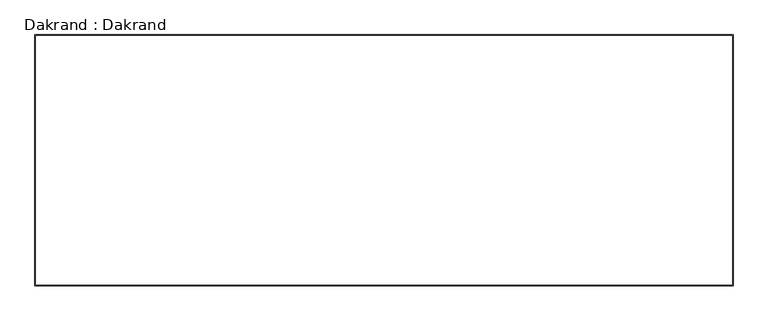
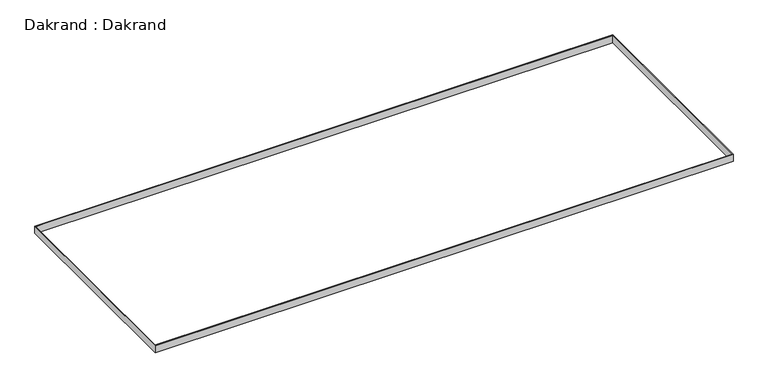
"""IFC4 building model written with IfcOpenShell, lengths in millimetres: proxy geometry, Dakrand : Dakrand."""

from ifc_helpers import new_model, si_unit, origin, place, context, project, spatial, faceted_brep, source, transform, mapped, element, save


def dakrand_dakrand_e28d4437(model_context):
    return source(origin(), model_context, "Body", "Brep", [
        faceted_brep([(-83650.8867011, -100340.3209837, 14234.7296355), (-83650.8867011, -100340.3209837, 14631.7830572), (-83650.8867011, -89711.3209837, 14631.7830572), (-83650.8867011, -89292.3209837, 14631.7830572), (-83650.8867011, -89292.3209837, 14300.0), (-83650.8867011, -89292.3209837, 14234.7296355), (-83650.8867011, -89711.3209837, 14234.7296355), (-83610.8867011, -100380.3209837, 14631.7830572), (-83610.8867011, -100380.3209837, 14234.7296355), (-83610.8867011, -89252.3209837, 14234.7296355), (-83610.8867011, -89252.3209837, 14631.7830572), (-114069.8867011, -89292.3209837, 14631.7830572), (-114488.8867011, -89292.3209837, 14631.7830572), (-114488.8867011, -89292.3209837, 14234.7296355), (-114069.8867011, -89292.3209837, 14234.7296355), (-114528.8867011, -89252.3209837, 14234.7296355), (-114528.8867011, -89252.3209837, 14631.7830572), (-114488.8867011, -100340.3209837, 14631.7830572), (-114488.8867011, -100340.3209837, 14234.7296355), (-114528.8867011, -100380.3209837, 14234.7296355), (-114528.8867011, -100380.3209837, 14631.7830572)], [[[0, 1, 2, 3, 4, 5, 6]], [[7, 8, 9, 10]], [[5, 4, 3, 11, 12, 13, 14]], [[10, 9, 15, 16]], [[13, 12, 17, 18]], [[16, 15, 19, 20]], [[7, 10, 16, 20], [17, 12, 11, 3, 2, 1]], [[1, 0, 18, 17]], [[9, 8, 19, 15], [13, 18, 0, 6, 5, 14]], [[8, 7, 20, 19]]]),
    ])


if __name__ == "__main__":
    model = new_model("IFC4")
    model_context = context("Model", 3, world=origin())
    ifc_project = project(units=[si_unit("LENGTHUNIT", "METRE", prefix="MILLI")], contexts=[model_context])
    site = spatial("IfcSite", under=ifc_project)
    building = spatial("IfcBuilding", under=site)
    placement = place(None, origin())
    dakrand_dakrand_shape = dakrand_dakrand_e28d4437(model_context)
    element("IfcBuildingElementProxy", 1, Name="Dakrand : Dakrand", ObjectType="Dakrand : Dakrand", at=placement, inside=building, context=model_context, shape_type="MappedRepresentation", body=[
        mapped(dakrand_dakrand_shape, transform((0.0, 0.0, 0.0), x_axis=(1.0, 0.0, 0.0), y_axis=(0.0, 1.0, 0.0), z_axis=(0.0, 0.0, 1.0))),
    ])
    save(model, "model.ifc")
